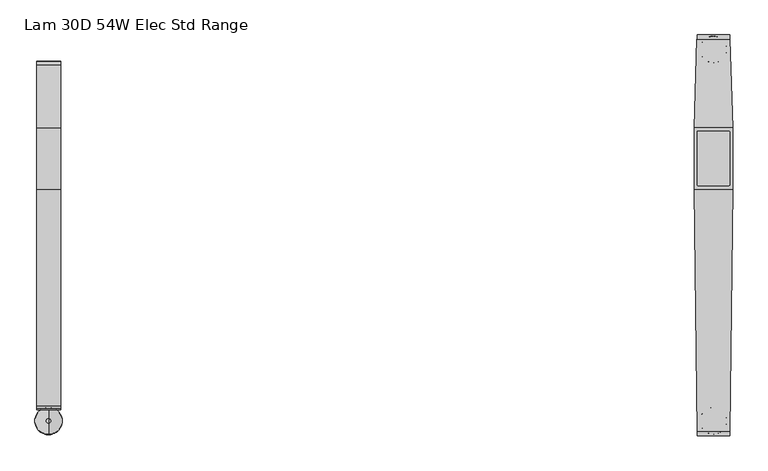
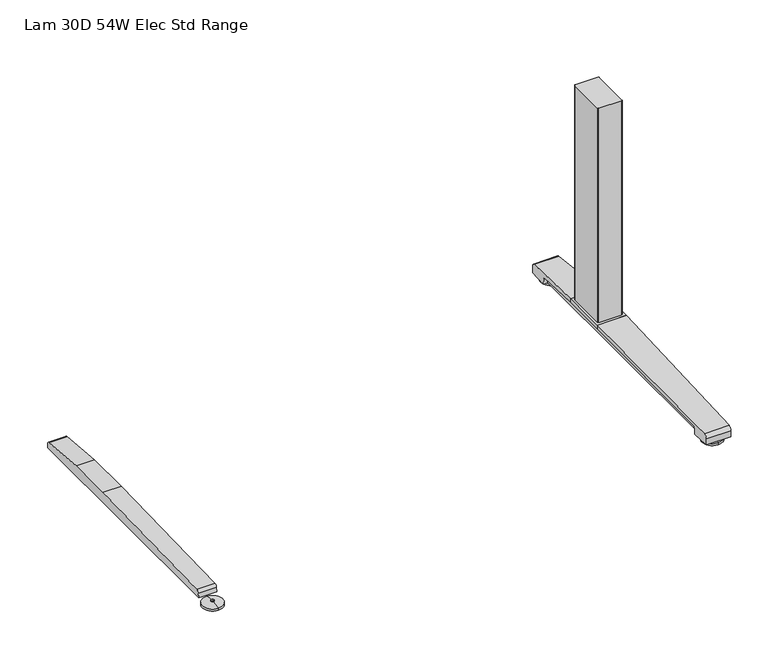
"""IFC4 building model written with IfcOpenShell, lengths in millimetres: furniture geometry, Lam 30D 54W Elec Std Range."""

import ifcopenshell
import ifcopenshell.guid

model = None  # the IFC model being written
_history = None  # IfcOwnerHistory: only IFC2X3 demands one
_inside = {}  # id of a spatial element -> (the spatial element, [elements in it])
_under = {}  # id of a project, library or spatial element -> (it, [spatial elements below it])
_declared = {}  # id of a project -> (the project, [libraries it declares])
_typed = {}  # id of a type object -> (the type object, [elements of that type])
_made_of = {}  # id of a material, layer set ... -> (it, [elements and type objects made of it])


def new_model(schema):
    """Start an empty IFC model of exactly this schema.

    Asked for "IFC4X3", IfcOpenShell would pick the latest addendum, in which some entities
    have other attributes; the version numbers below select the first issue.
    IFC2X3 requires an IfcOwnerHistory on every rooted entity: one is made here for all.
    """
    global model, _history
    if schema == "IFC4X3":
        model = ifcopenshell.file(schema_version=(4, 3, 0, 0))
    else:
        model = ifcopenshell.file(schema=schema)
    _inside.clear()
    _under.clear()
    _declared.clear()
    _typed.clear()
    _made_of.clear()
    _history = None
    if model.schema == "IFC2X3":
        org = make("IfcOrganization", Name="unknown")
        user = make(
            "IfcPersonAndOrganization",
            ThePerson=make("IfcPerson", FamilyName="unknown"),
            TheOrganization=org,
        )
        app = make(
            "IfcApplication",
            ApplicationDeveloper=org,
            Version="unknown",
            ApplicationFullName="unknown",
            ApplicationIdentifier="unknown",
        )
        _history = make(
            "IfcOwnerHistory",
            OwningUser=user,
            OwningApplication=app,
            ChangeAction="ADDED",
            CreationDate=0,
        )
    return model


def make(cls, **values):
    """One entity of the class cls with the attributes given. An attribute that is None is left unset."""
    return model.create_entity(
        cls, **{name: value for name, value in values.items() if value is not None}
    )


def rooted(cls, **values):
    """An entity with a GlobalId (a new one), such as an element, a storey or a relation."""
    return make(cls, GlobalId=ifcopenshell.guid.new(), OwnerHistory=_history, **values)


def si_unit(unit_type, name, prefix=None):
    """IfcSIUnit, for example si_unit("LENGTHUNIT", "METRE", prefix="MILLI")."""
    return make("IfcSIUnit", UnitType=unit_type, Prefix=prefix, Name=name)


def assignment(units):
    """IfcUnitAssignment: the units of a project."""
    return None if units is None else make("IfcUnitAssignment", Units=units)


def point(xyz):
    """IfcCartesianPoint."""
    return None if xyz is None else make("IfcCartesianPoint", Coordinates=xyz)


def direction(xyz):
    """IfcDirection."""
    return None if xyz is None else make("IfcDirection", DirectionRatios=xyz)


def frame(location, z_axis=None, x_axis=None):
    """IfcAxis2Placement3D, a coordinate frame: its origin and axes. An axis left out is left unset."""
    return make(
        "IfcAxis2Placement3D",
        Location=point(location),
        Axis=direction(z_axis),
        RefDirection=direction(x_axis),
    )


def frame_2d(location, x_axis=None):
    """IfcAxis2Placement2D, a coordinate frame in the plane: its origin and x axis."""
    return make(
        "IfcAxis2Placement2D", Location=point(location), RefDirection=direction(x_axis)
    )


def origin():
    """The frame at (0, 0, 0) with its axes left unset."""
    return frame((0.0, 0.0, 0.0))


def place(relative_to, where):
    """IfcLocalPlacement: puts the frame where relative to a parent placement (None: the world)."""
    return make(
        "IfcLocalPlacement", PlacementRelTo=relative_to, RelativePlacement=where
    )


def context(
    kind, dimensions, precision=None, world=None, true_north=None, identifier=None
):
    """IfcGeometricRepresentationContext, for example the 3D "Model" context."""
    return make(
        "IfcGeometricRepresentationContext",
        ContextIdentifier=identifier,
        ContextType=kind,
        CoordinateSpaceDimension=dimensions,
        Precision=precision,
        WorldCoordinateSystem=world,
        TrueNorth=true_north,
    )


def project(units=None, contexts=None):
    """IfcProject with its units and contexts."""
    return rooted(
        "IfcProject",
        Name="project",
        RepresentationContexts=contexts,
        UnitsInContext=assignment(units),
    )


def spatial(cls, under=None, at=None, **own):
    """A site, building, storey or space (cls), placed at a placement, below another one or the project."""
    s = rooted(cls, ObjectPlacement=at, **own)
    if under is not None:
        _under.setdefault(under.id(), (under, []))[1].append(s)
    return s


def polyline(points):
    """IfcPolyline through the points."""
    return make("IfcPolyline", Points=[point(p) for p in points])


def circle_curve(where, radius):
    """IfcCircle in the frame where."""
    return make("IfcCircle", Position=where, Radius=radius)


def ellipse_curve(where, semi_axis1, semi_axis2):
    """IfcEllipse in the frame where."""
    return make(
        "IfcEllipse", Position=where, SemiAxis1=semi_axis1, SemiAxis2=semi_axis2
    )


def trimmed(basis, trim1, trim2, sense, master):
    """IfcTrimmedCurve: the piece of a basis curve between two trims."""
    return make(
        "IfcTrimmedCurve",
        BasisCurve=basis,
        Trim1=trim1,
        Trim2=trim2,
        SenseAgreement=sense,
        MasterRepresentation=master,
    )


def segment(curve, same_sense, transition):
    """IfcCompositeCurveSegment."""
    return make(
        "IfcCompositeCurveSegment",
        Transition=transition,
        SameSense=same_sense,
        ParentCurve=curve,
    )


def composite_curve(segments, self_intersect=None):
    """IfcCompositeCurve: segments joined end to end."""
    return make("IfcCompositeCurve", Segments=segments, SelfIntersect=self_intersect)


def outline(outer, holes=None, kind="AREA"):
    """IfcArbitraryClosedProfileDef: a profile drawn as a closed curve; with holes, ...WithVoids."""
    if holes is None:
        return make("IfcArbitraryClosedProfileDef", ProfileType=kind, OuterCurve=outer)
    return make(
        "IfcArbitraryProfileDefWithVoids",
        ProfileType=kind,
        OuterCurve=outer,
        InnerCurves=holes,
    )


def extrude(swept, where, along, depth):
    """IfcExtrudedAreaSolid: the profile swept, set in the frame where, extruded along a direction by depth."""
    return make(
        "IfcExtrudedAreaSolid",
        SweptArea=swept,
        Position=where,
        ExtrudedDirection=direction(along),
        Depth=depth,
    )


def shape(context_of_items, identifier, shape_type, items):
    """IfcShapeRepresentation: the items that make up one representation, for example the "Body"."""
    return make(
        "IfcShapeRepresentation",
        ContextOfItems=context_of_items,
        RepresentationIdentifier=identifier,
        RepresentationType=shape_type,
        Items=items,
    )


def source(mapping_origin, context_of_items, identifier, shape_type, items):
    """IfcRepresentationMap: a shape defined once, which mapped items show again and again."""
    return make(
        "IfcRepresentationMap",
        MappingOrigin=mapping_origin,
        MappedRepresentation=shape(context_of_items, identifier, shape_type, items),
    )


def transform(
    local_origin,
    x_axis=None,
    y_axis=None,
    z_axis=None,
    scale=None,
    scale2=None,
    scale3=None,
    uniform=True,
):
    """IfcCartesianTransformationOperator3D, or its non-uniform kind. x_axis, y_axis, z_axis: its Axis1, 2, 3."""
    if uniform:
        return make(
            "IfcCartesianTransformationOperator3D",
            Axis1=direction(x_axis),
            Axis2=direction(y_axis),
            LocalOrigin=point(local_origin),
            Scale=scale,
            Axis3=direction(z_axis),
        )
    return make(
        "IfcCartesianTransformationOperator3DnonUniform",
        Axis1=direction(x_axis),
        Axis2=direction(y_axis),
        LocalOrigin=point(local_origin),
        Scale=scale,
        Axis3=direction(z_axis),
        Scale2=scale2,
        Scale3=scale3,
    )


def mapped(mapping_source, mapping_target):
    """IfcMappedItem: shows the shape of a source again, moved by a transform."""
    return make(
        "IfcMappedItem", MappingSource=mapping_source, MappingTarget=mapping_target
    )


def made_of(thing, what):
    """Note that an element or type object is made of a material, layer set ...; save() writes the relation."""
    if what is not None:
        _made_of.setdefault(what.id(), (what, []))[1].append(thing)
    return thing


def element(
    cls,
    number,
    at=None,
    inside=None,
    cuts=None,
    type_object=None,
    material=None,
    context=None,
    identifier="Body",
    shape_type=None,
    held_by="IfcProductDefinitionShape",
    body=None,
    shapes=None,
    **own,
):
    """One element of the class cls, such as IfcWall. Its Tag is "e" and its number.

    at: its placement. inside: the storey or other place that contains it. cuts: it is an
    opening in that element (IfcRelVoidsElement). A single representation is given by context,
    identifier, shape_type and body (its items); several are given by shapes. held_by: the class
    of the entity that holds the representations. save() writes the other relations.
    """
    e = rooted(cls, Tag="e%d" % number, ObjectPlacement=at, **own)
    if body is not None:
        shapes = [shape(context, identifier, shape_type, body)]
    if shapes is not None:
        e.Representation = make(held_by, Representations=shapes)
    if inside is not None:
        _inside.setdefault(inside.id(), (inside, []))[1].append(e)
    if cuts is not None:
        rooted(
            "IfcRelVoidsElement", RelatingBuildingElement=cuts, RelatedOpeningElement=e
        )
    if type_object is not None:
        _typed.setdefault(type_object.id(), (type_object, []))[1].append(e)
    return made_of(e, material)


def aggregate(whole, parts):
    """IfcRelAggregates: a whole, such as a stair, and the parts it consists of."""
    return rooted("IfcRelAggregates", RelatingObject=whole, RelatedObjects=parts)


def save(model, path):
    """Write the relations noted so far, then the file.

    IfcRelAggregates (storeys below a building ...), IfcRelContainedInSpatialStructure (elements
    in a storey), IfcRelDefinesByType, IfcRelAssociatesMaterial and IfcRelDeclares: one each for
    every whole, place, type object, material and project.
    """
    for whole, parts in _under.values():
        aggregate(whole, parts)
    for where, things in _inside.values():
        rooted(
            "IfcRelContainedInSpatialStructure",
            RelatedElements=things,
            RelatingStructure=where,
        )
    for kind, things in _typed.values():
        rooted("IfcRelDefinesByType", RelatedObjects=things, RelatingType=kind)
    for what, things in _made_of.values():
        rooted("IfcRelAssociatesMaterial", RelatedObjects=things, RelatingMaterial=what)
    for by, libraries in _declared.values():
        rooted("IfcRelDeclares", RelatingContext=by, RelatedDefinitions=libraries)
    model.write(path)


def plane_surface(at):
    """IfcPlane: the flat surface through the origin of the frame at, square to its z axis."""
    return make("IfcPlane", Position=at)


def cylinder_surface(at, radius):
    """IfcCylindricalSurface: all points at the distance radius from the z axis of the frame at."""
    return make("IfcCylindricalSurface", Position=at, Radius=radius)


def revolved_surface(curve, axis_point, axis_direction):
    """IfcSurfaceOfRevolution: the curve turned about the line through axis_point along axis_direction."""
    return make(
        "IfcSurfaceOfRevolution",
        SweptCurve=make("IfcArbitraryOpenProfileDef", ProfileType="CURVE", Curve=curve),
        AxisPosition=make("IfcAxis1Placement", Location=point(axis_point), Axis=direction(axis_direction)),
    )


def advanced_brep(points, edges, surfaces, faces):
    """IfcAdvancedBrep: a solid bounded by faces that lie on surfaces and meet in shared edges.

    An edge is (start, end): straight between two places in points (the first is 0);
    or (start, end, curve); or (start, end, curve, False) where it runs against its curve.
    A face is (place in surfaces, loops), or (place, loops, False) where it looks against
    its surface's normal. A loop lists edges by number (the first is 1), with a minus sign
    where the edge is run from its end to its start. The first loop is the outer one.
    """
    corners = [point(p) for p in points]
    vertices = [make("IfcVertexPoint", VertexGeometry=c) for c in corners]
    made = []
    for start, end, *more in edges:
        made.append(
            make(
                "IfcEdgeCurve",
                EdgeStart=vertices[start],
                EdgeEnd=vertices[end],
                EdgeGeometry=more[0] if more else make("IfcPolyline", Points=[corners[start], corners[end]]),
                SameSense=more[1] if len(more) > 1 else True,
            )
        )
    hull = []
    for where, loops, *sense in faces:
        bounds = []
        for j, loop in enumerate(loops):
            ring = [make("IfcOrientedEdge", EdgeElement=made[abs(k) - 1], Orientation=k > 0) for k in loop]
            bounds.append(
                make(
                    "IfcFaceOuterBound" if j == 0 else "IfcFaceBound",
                    Bound=make("IfcEdgeLoop", EdgeList=ring),
                    Orientation=True,
                )
            )
        hull.append(make("IfcAdvancedFace", Bounds=bounds, FaceSurface=surfaces[where], SameSense=sense[0] if sense else True))
    return make("IfcAdvancedBrep", Outer=make("IfcClosedShell", CfsFaces=hull))


def lam_30d_54w_elec_std_range_4f798c4a(model_context):
    return source(origin(), model_context, "Body", "SolidModel", [
        advanced_brep(
        [(-608.076, -364.1643617, 0.0), (-608.076, -313.9743384, 0.0), (-608.076, -339.06935, 0.0), (-608.076, -364.0796512, 5.0038001), (-608.076, -314.0590489, 5.0038001), (-608.076, -343.0698499, 8.4327997), (-608.076, -335.0688501, 8.4327997), (-608.076, -343.0698499, 10.0423733), (-608.076, -335.0688501, 10.0423733), (-608.076, -339.06935, 10.0423733)],
        [
            (0, 1, circle_curve(frame((-608.076, -339.06935, 0.0), z_axis=(0.0, 0.0, -1.0), x_axis=(0.0, 1.0, 0.0)), 25.0950117)),
            (1, 2),
            (2, 0),
            (1, 0, circle_curve(frame((-608.076, -339.06935, 0.0), z_axis=(0.0, 0.0, -1.0), x_axis=(0.0, 1.0, 0.0)), 25.0950117)),
            (3, 4, circle_curve(frame((-608.076, -339.06935, 5.0038001), z_axis=(0.0, 0.0, -1.0), x_axis=(0.0, 1.0, 0.0)), 25.0103012)),
            (4, 1),
            (0, 3),
            (4, 3, circle_curve(frame((-608.076, -339.06935, 5.0038001), z_axis=(0.0, 0.0, -1.0), x_axis=(0.0, 1.0, 0.0)), 25.0103012)),
            (5, 6, circle_curve(frame((-608.076, -339.06935, 8.4327997), z_axis=(0.0, 0.0, -1.0), x_axis=(0.0, 1.0, 0.0)), 4.0004999)),
            (6, 4, circle_curve(frame((-608.076, -335.0368668, -57.4502444), z_axis=(-1.0, 0.0, 0.0), x_axis=(0.0, 1.0, 0.0)), 65.8830518)),
            (3, 5, circle_curve(frame((-608.076, -343.1018333, -57.4502444), z_axis=(-1.0, 0.0, 0.0), x_axis=(0.0, -1.0, 0.0)), 65.8830518)),
            (6, 5, circle_curve(frame((-608.076, -339.06935, 8.4327997), z_axis=(0.0, 0.0, -1.0), x_axis=(0.0, 1.0, 0.0)), 4.0004999)),
            (7, 8, circle_curve(frame((-608.076, -339.06935, 10.0423733), z_axis=(0.0, 0.0, -1.0), x_axis=(0.0, 1.0, 0.0)), 4.0004999)),
            (8, 6),
            (5, 7),
            (8, 7, circle_curve(frame((-608.076, -339.06935, 10.0423733), z_axis=(0.0, 0.0, -1.0), x_axis=(0.0, 1.0, 0.0)), 4.0004999)),
            (9, 8),
            (7, 9),
        ],
        [
            plane_surface(frame((-608.076, -339.06935, 0.0), z_axis=(0.0, 0.0, -1.0), x_axis=(0.0, 1.0, 0.0))),
            revolved_surface(polyline([(-608.076, -313.9743384, 0.0), (-608.076, -314.0590489, 5.0038001)]), (-608.076, -339.06935, 0.0), (0.0, 0.0, 1.0)),
            revolved_surface(trimmed(ellipse_curve(frame((-608.076, -335.0368668, -57.4502444), z_axis=(1.0, 0.0, 0.0), x_axis=(0.0, 1.0, 0.0)), 65.8830518, 65.8830518), [point((-608.076, -314.0590489, 5.0038001))], [point((-608.076, -335.0688501, 8.4327997))], True, "CARTESIAN"), (-608.076, -339.06935, 0.0), (0.0, 0.0, 1.0)),
            cylinder_surface(frame((-608.076, -339.06935, 0.0), z_axis=(0.0, 0.0, 1.0), x_axis=(0.0, 1.0, 0.0)), 4.0004999),
            plane_surface(frame((-608.076, -339.06935, 10.0423733), z_axis=(0.0, 0.0, 1.0), x_axis=(0.0, 1.0, 0.0))),
        ],
        [
            (0, [[1, 2, 3]]),
            (0, [[4, -3, -2]]),
            (1, [[5, 6, -1, 7]]),
            (1, [[8, -7, -4, -6]]),
            (2, [[9, 10, -5, 11]]),
            (2, [[12, -11, -8, -10]]),
            (3, [[13, 14, -9, 15]]),
            (3, [[16, -15, -12, -14]]),
            (4, [[17, -13, 18]]),
            (4, [[-18, -16, -17]]),
        ],
    ),
        extrude(outline(composite_curve([segment(polyline([(317.3152602, 22.833301), (318.3038309, 11.5339019), (-318.3038309, 11.5339019), (-317.3152602, 22.833301)]), True, "CONTINUOUS"), segment(trimmed(circle_curve(frame_2d((-310.4929906, 22.2364289)), 6.8483297), [point((-317.3152602, 22.833301))], [point((-311.3603185, 29.0296138))], False, "CARTESIAN"), True, "CONTINUOUS"), segment(polyline([(-311.3603185, 29.0296138), (84.6231873, 38.9541198), (196.8596127, 38.9541198), (311.3603185, 29.0296138)]), True, "CONTINUOUS"), segment(trimmed(circle_curve(frame_2d((310.4929906, 22.2364289)), 6.8483297), [point((311.3603185, 29.0296138))], [point((317.3152602, 22.833301))], False, "CARTESIAN"), True, "CONTINUOUS")], self_intersect=False)), frame((-630.0724, 0.0, 0.0), z_axis=(1.0, 0.0, 0.0), x_axis=(0.0, 1.0, 0.0)), (0.0, 0.0, 1.0), 43.9928),
        extrude(outline(composite_curve([segment(trimmed(circle_curve(frame_2d((635.6521079, 188.3835079)), 2.3323921), [point((635.6521079, 190.7159))], [point((637.9845, 188.3835079))], False, "CARTESIAN"), True, "CONTINUOUS"), segment(polyline([(637.9845, 188.3835079), (637.9845, 93.0992921)]), True, "CONTINUOUS"), segment(trimmed(circle_curve(frame_2d((635.6521079, 93.0992921)), 2.3323921), [point((637.9845, 93.0992921))], [point((635.6521079, 90.7669))], False, "CARTESIAN"), True, "CONTINUOUS"), segment(polyline([(635.6521079, 90.7669), (580.4998921, 90.7669)]), True, "CONTINUOUS"), segment(trimmed(circle_curve(frame_2d((580.4998921, 93.0992921)), 2.3323921), [point((580.4998921, 90.7669))], [point((578.1675, 93.0992921))], False, "CARTESIAN"), True, "CONTINUOUS"), segment(polyline([(578.1675, 93.0992921), (578.1675, 188.3835079)]), True, "CONTINUOUS"), segment(trimmed(circle_curve(frame_2d((580.4998921, 188.3835079)), 2.3323921), [point((578.1675, 188.3835079))], [point((580.4998921, 190.7159))], False, "CARTESIAN"), True, "CONTINUOUS"), segment(polyline([(580.4998921, 190.7159), (635.6521079, 190.7159)]), True, "CONTINUOUS")], self_intersect=False)), frame((0.0, 0.0, 48.10013), z_axis=(0.0, 0.0, 1.0), x_axis=(1.0, 0.0, 0.0)), (0.0, 0.0, 1.0), 550.9989485),
        advanced_brep(
        [(608.076, 314.8489737, 0.0), (608.076, 365.038997, 0.0), (608.076, 339.9439854, 0.0), (608.076, 314.9336842, 5.0038001), (608.076, 364.9542866, 5.0038001), (608.076, 335.9434855, 8.4327997), (608.076, 343.9444853, 8.4327997), (608.076, 335.9434855, 10.0423733), (608.076, 343.9444853, 10.0423733), (608.076, 339.9439854, 10.0423733)],
        [
            (0, 1, circle_curve(frame((608.076, 339.9439854, 0.0), z_axis=(0.0, 0.0, -1.0), x_axis=(0.0, 1.0, 0.0)), 25.0950117)),
            (1, 2),
            (2, 0),
            (1, 0, circle_curve(frame((608.076, 339.9439854, 0.0), z_axis=(0.0, 0.0, -1.0), x_axis=(0.0, 1.0, 0.0)), 25.0950117)),
            (3, 4, circle_curve(frame((608.076, 339.9439854, 5.0038001), z_axis=(0.0, 0.0, -1.0), x_axis=(0.0, 1.0, 0.0)), 25.0103012)),
            (4, 1),
            (0, 3),
            (4, 3, circle_curve(frame((608.076, 339.9439854, 5.0038001), z_axis=(0.0, 0.0, -1.0), x_axis=(0.0, 1.0, 0.0)), 25.0103012)),
            (5, 6, circle_curve(frame((608.076, 339.9439854, 8.4327997), z_axis=(0.0, 0.0, -1.0), x_axis=(0.0, 1.0, 0.0)), 4.0004999)),
            (6, 4, circle_curve(frame((608.076, 343.9764687, -57.4502444), z_axis=(-1.0, 0.0, 0.0), x_axis=(0.0, 1.0, 0.0)), 65.8830518)),
            (3, 5, circle_curve(frame((608.076, 335.9115021, -57.4502444), z_axis=(-1.0, 0.0, 0.0), x_axis=(0.0, -1.0, 0.0)), 65.8830518)),
            (6, 5, circle_curve(frame((608.076, 339.9439854, 8.4327997), z_axis=(0.0, 0.0, -1.0), x_axis=(0.0, 1.0, 0.0)), 4.0004999)),
            (7, 8, circle_curve(frame((608.076, 339.9439854, 10.0423733), z_axis=(0.0, 0.0, -1.0), x_axis=(0.0, 1.0, 0.0)), 4.0004999)),
            (8, 6),
            (5, 7),
            (8, 7, circle_curve(frame((608.076, 339.9439854, 10.0423733), z_axis=(0.0, 0.0, -1.0), x_axis=(0.0, 1.0, 0.0)), 4.0004999)),
            (9, 8),
            (7, 9),
        ],
        [
            plane_surface(frame((608.076, 339.9439854, 0.0), z_axis=(0.0, 0.0, -1.0), x_axis=(0.0, 1.0, 0.0))),
            revolved_surface(polyline([(608.076, 365.038997, 0.0), (608.076, 364.9542866, 5.0038001)]), (608.076, 339.9439854, 0.0), (0.0, 0.0, 1.0)),
            revolved_surface(trimmed(ellipse_curve(frame((608.076, 343.9764687, -57.4502444), z_axis=(1.0, 0.0, 0.0), x_axis=(0.0, 1.0, 0.0)), 65.8830518, 65.8830518), [point((608.076, 364.9542866, 5.0038001))], [point((608.076, 343.9444853, 8.4327997))], True, "CARTESIAN"), (608.076, 339.9439854, 0.0), (0.0, 0.0, 1.0)),
            cylinder_surface(frame((608.076, 339.9439854, 0.0), z_axis=(0.0, 0.0, 1.0), x_axis=(0.0, 1.0, 0.0)), 4.0004999),
            plane_surface(frame((608.076, 339.9439854, 10.0423733), z_axis=(0.0, 0.0, 1.0), x_axis=(0.0, 1.0, 0.0))),
        ],
        [
            (0, [[1, 2, 3]]),
            (0, [[4, -3, -2]]),
            (1, [[5, 6, -1, 7]]),
            (1, [[8, -7, -4, -6]]),
            (2, [[9, 10, -5, 11]]),
            (2, [[12, -11, -8, -10]]),
            (3, [[13, 14, -9, 15]]),
            (3, [[16, -15, -12, -14]]),
            (4, [[17, -13, 18]]),
            (4, [[-18, -16, -17]]),
        ],
    ),
        advanced_brep(
        [(608.076, -364.1643617, 0.0), (608.076, -313.9743384, 0.0), (608.076, -339.06935, 0.0), (608.076, -364.0796512, 5.0038001), (608.076, -314.0590489, 5.0038001), (608.076, -343.0698499, 8.4327997), (608.076, -335.0688501, 8.4327997), (608.076, -343.0698499, 10.0423733), (608.076, -335.0688501, 10.0423733), (608.076, -339.06935, 10.0423733)],
        [
            (0, 1, circle_curve(frame((608.076, -339.06935, 0.0), z_axis=(0.0, 0.0, -1.0), x_axis=(0.0, 1.0, 0.0)), 25.0950117)),
            (1, 2),
            (2, 0),
            (1, 0, circle_curve(frame((608.076, -339.06935, 0.0), z_axis=(0.0, 0.0, -1.0), x_axis=(0.0, 1.0, 0.0)), 25.0950117)),
            (3, 4, circle_curve(frame((608.076, -339.06935, 5.0038001), z_axis=(0.0, 0.0, -1.0), x_axis=(0.0, 1.0, 0.0)), 25.0103012)),
            (4, 1),
            (0, 3),
            (4, 3, circle_curve(frame((608.076, -339.06935, 5.0038001), z_axis=(0.0, 0.0, -1.0), x_axis=(0.0, 1.0, 0.0)), 25.0103012)),
            (5, 6, circle_curve(frame((608.076, -339.06935, 8.4327997), z_axis=(0.0, 0.0, -1.0), x_axis=(0.0, 1.0, 0.0)), 4.0004999)),
            (6, 4, circle_curve(frame((608.076, -335.0368668, -57.4502444), z_axis=(-1.0, 0.0, 0.0), x_axis=(0.0, 1.0, 0.0)), 65.8830518)),
            (3, 5, circle_curve(frame((608.076, -343.1018333, -57.4502444), z_axis=(-1.0, 0.0, 0.0), x_axis=(0.0, -1.0, 0.0)), 65.8830518)),
            (6, 5, circle_curve(frame((608.076, -339.06935, 8.4327997), z_axis=(0.0, 0.0, -1.0), x_axis=(0.0, 1.0, 0.0)), 4.0004999)),
            (7, 8, circle_curve(frame((608.076, -339.06935, 10.0423733), z_axis=(0.0, 0.0, -1.0), x_axis=(0.0, 1.0, 0.0)), 4.0004999)),
            (8, 6),
            (5, 7),
            (8, 7, circle_curve(frame((608.076, -339.06935, 10.0423733), z_axis=(0.0, 0.0, -1.0), x_axis=(0.0, 1.0, 0.0)), 4.0004999)),
            (9, 8),
            (7, 9),
        ],
        [
            plane_surface(frame((608.076, -339.06935, 0.0), z_axis=(0.0, 0.0, -1.0), x_axis=(0.0, 1.0, 0.0))),
            revolved_surface(polyline([(608.076, -313.9743384, 0.0), (608.076, -314.0590489, 5.0038001)]), (608.076, -339.06935, 0.0), (0.0, 0.0, 1.0)),
            revolved_surface(trimmed(ellipse_curve(frame((608.076, -335.0368668, -57.4502444), z_axis=(1.0, 0.0, 0.0), x_axis=(0.0, 1.0, 0.0)), 65.8830518, 65.8830518), [point((608.076, -314.0590489, 5.0038001))], [point((608.076, -335.0688501, 8.4327997))], True, "CARTESIAN"), (608.076, -339.06935, 0.0), (0.0, 0.0, 1.0)),
            cylinder_surface(frame((608.076, -339.06935, 0.0), z_axis=(0.0, 0.0, 1.0), x_axis=(0.0, 1.0, 0.0)), 4.0004999),
            plane_surface(frame((608.076, -339.06935, 10.0423733), z_axis=(0.0, 0.0, 1.0), x_axis=(0.0, 1.0, 0.0))),
        ],
        [
            (0, [[1, 2, 3]]),
            (0, [[4, -3, -2]]),
            (1, [[5, 6, -1, 7]]),
            (1, [[8, -7, -4, -6]]),
            (2, [[9, 10, -5, 11]]),
            (2, [[12, -11, -8, -10]]),
            (3, [[13, 14, -9, 15]]),
            (3, [[16, -15, -12, -14]]),
            (4, [[17, -13, 18]]),
            (4, [[-18, -16, -17]]),
        ],
    ),
        extrude(outline(polyline([(643.2068382, 196.8596127), (643.2068382, 84.6231873), (572.9451618, 84.6231873), (572.9451618, 196.8596127), (643.2068382, 196.8596127)])), frame((0.0, 0.0, 38.9541198), z_axis=(0.0, 0.0, 1.0), x_axis=(1.0, 0.0, 0.0)), (0.0, 0.0, 1.0), 9.1460102),
        advanced_brep(
        [(637.7735496, 366.395, 26.8186), (638.013509, 358.907527, 35.7787117), (643.2068382, 196.8596127, 48.10013), (643.2068382, 196.8596127, 38.9541198), (639.5373071, 311.3603185, 29.0296138), (639.3464625, 317.3152602, 22.833301), (639.3106016, 318.4342309, 10.0434261), (637.8198676, 364.9497362, 10.041053), (578.138849, 358.907527, 35.7787117), (578.3788083, 366.395, 26.8186), (578.3324903, 364.9497362, 10.041053), (576.8417563, 318.4342309, 10.0434261), (576.8058954, 317.3152602, 22.833301), (576.6150508, 311.3603185, 29.0296138), (572.9455193, 196.8596013, 38.9541208), (572.9455197, 196.8596127, 48.10013)],
        [
            (0, 1, ellipse_curve(frame((638.0380766, 358.1409412, 27.5296273), z_axis=(0.9994868545941118, 0.03203166392132806, 0.0), x_axis=(0.032031663921324206, -0.9994868545941118, 0.0)), 8.2888806, 8.2846272)),
            (1, 2, ellipse_curve(frame((693.1365776, -1361.1024809, -21513.5555312), z_axis=(0.9994868545941118, 0.03203166392132806, 0.0), x_axis=(0.032031663921324206, -0.9994868545941118, 0.0)), 21628.9673574, 21617.8685521)),
            (2, 3),
            (3, 4),
            (4, 5, ellipse_curve(frame((639.5651033, 310.4929906, 22.2364289), z_axis=(-0.9994868545941118, -0.03203166392132806, 0.0), x_axis=(-0.032031663921324206, 0.9994868545941118, 0.0)), 6.8518456, 6.8483297)),
            (5, 6),
            (6, 7),
            (7, 0),
            (8, 9, ellipse_curve(frame((578.1142813, 358.1409412, 27.5296273), z_axis=(-0.9994868545941165, 0.03203166392118305, 0.0), x_axis=(0.032031663921181265, 0.9994868545941163, 0.0)), 8.2888806, 8.2846272)),
            (9, 10),
            (10, 11),
            (11, 12),
            (12, 13, ellipse_curve(frame((576.5872546, 310.4929906, 22.2364289), z_axis=(0.9994868545941165, -0.03203166392118305, 0.0), x_axis=(-0.032031663921181265, -0.9994868545941163, 0.0)), 6.8518456, 6.8483297)),
            (13, 14),
            (14, 15),
            (15, 8, ellipse_curve(frame((523.0157803, -1361.1024809, -21513.5555312), z_axis=(-0.9994868545941165, 0.03203166392118305, 0.0), x_axis=(0.032031663921181265, 0.9994868545941163, 0.0)), 21628.9673574, 21617.8685521)),
            (0, 9),
            (8, 1),
            (7, 10),
            (6, 11),
            (5, 12),
            (4, 13),
            (3, 14),
            (2, 15),
        ],
        [
            plane_surface(frame((637.7226732, 367.9825, 48.10013), z_axis=(0.9994868545941118, 0.03203166392132806, 0.0), x_axis=(0.0, 0.0, -1.0))),
            plane_surface(frame((572.9455197, 196.8596127, 48.10013), z_axis=(-0.9994868545941165, 0.03203166392118305, 0.0), x_axis=(0.0, 0.0, -1.0))),
            cylinder_surface(frame((572.9451618, 358.1409412, 27.5296273), z_axis=(1.0, 0.0, 0.0), x_axis=(0.0, 1.0, 0.0)), 8.2846272),
            plane_surface(frame((643.2068382, 364.9497362, 10.041053), z_axis=(0.0, 0.9963102368703288, -0.08582489095471861), x_axis=(-1.0, 0.0, 0.0))),
            plane_surface(frame((643.2068382, 318.4342309, 10.0434261), z_axis=(0.0, -5.101798419269663e-05, -0.9999999986985827), x_axis=(-1.0, 0.0, 0.0))),
            plane_surface(frame((643.2068382, 317.3152602, 22.833301), z_axis=(0.0, -0.9961946873837872, -0.0871558651400954), x_axis=(-1.0, 0.0, 0.0))),
            revolved_surface(polyline([(576.367778584501, 317.3413203, 22.2364289), (639.7845793155001, 317.3413203, 22.2364289)]), (572.9451618, 310.4929906, 22.2364289), (-1.0, 0.0, 0.0)),
            plane_surface(frame((643.2068382, 196.8596127, 38.9541198), z_axis=(0.0, -0.08635260649839663, -0.9962646372078722), x_axis=(-1.0, 0.0, 0.0))),
            plane_surface(frame((643.2068382, 196.8596127, 48.10013), z_axis=(0.0, -1.0, 0.0), x_axis=(-1.0, 0.0, 0.0))),
            cylinder_surface(frame((572.9451618, -1361.1024809, -21513.5555312), z_axis=(1.0, 0.0, 0.0), x_axis=(0.0, 1.0, 0.0)), 21617.8685521),
        ],
        [
            (0, [[1, 2, 3, 4, 5, 6, 7, 8]]),
            (1, [[9, 10, 11, 12, 13, 14, 15, 16]]),
            (2, [[17, -9, 18, -1]]),
            (3, [[-17, -8, 19, -10]]),
            (4, [[-19, -7, 20, -11]]),
            (5, [[-20, -6, 21, -12]]),
            (6, [[-21, -5, 22, -13]]),
            (7, [[23, -14, -22, -4]]),
            (8, [[-23, -3, 24, -15]]),
            (9, [[-24, -2, -18, -16]]),
        ],
    ),
        extrude(outline(composite_curve([segment(polyline([(317.3152602, 22.833301), (318.3038309, 11.5339019), (-318.3038309, 11.5339019), (-317.3152602, 22.833301)]), True, "CONTINUOUS"), segment(trimmed(circle_curve(frame_2d((-310.4929906, 22.2364289)), 6.8483297), [point((-317.3152602, 22.833301))], [point((-311.3603185, 29.0296138))], False, "CARTESIAN"), True, "CONTINUOUS"), segment(polyline([(-311.3603185, 29.0296138), (84.6231873, 38.9541198), (196.8596127, 38.9541198), (311.3603185, 29.0296138)]), True, "CONTINUOUS"), segment(trimmed(circle_curve(frame_2d((310.4929906, 22.2364289)), 6.8483297), [point((311.3603185, 29.0296138))], [point((317.3152602, 22.833301))], False, "CARTESIAN"), True, "CONTINUOUS")], self_intersect=False)), frame((586.0796, 0.0, 0.0), z_axis=(1.0, 0.0, 0.0), x_axis=(0.0, 1.0, 0.0)), (0.0, 0.0, 1.0), 43.9928),
        advanced_brep(
        [(637.8326335, -358.907527, 35.7787117), (578.3197244, -358.907527, 35.7787117), (578.4104491, -366.395, 26.8186), (637.7419088, -366.395, 26.8186), (578.3929371, -364.9497362, 10.041053), (637.7594208, -364.9497362, 10.041053), (577.8293147, -318.4342309, 10.0434261), (638.3230432, -318.4342309, 10.0434261), (577.8157562, -317.3152602, 22.833301), (638.3366017, -317.3152602, 22.833301), (577.743601, -311.3603185, 29.0296138), (638.4087569, -311.3603185, 29.0296138), (572.9451618, 84.6231873, 38.9541198), (643.2068382, 84.6231873, 38.9541198), (572.9455197, 84.6231873, 48.10013), (643.2068382, 84.6231873, 48.10013)],
        [
            (0, 1),
            (1, 2, ellipse_curve(frame((578.3104358, -358.1409412, 27.5296273), z_axis=(0.9999265987939379, 0.012115982188308264, 0.0), x_axis=(0.01211598218829372, -0.9999265987939379, 0.0)), 8.2852353, 8.2846272)),
            (2, 3),
            (3, 0, ellipse_curve(frame((637.8419221, -358.1409412, 27.5296273), z_axis=(-0.999926598793938, 0.01211598218829279, 0.0), x_axis=(0.012115982188294067, 0.9999265987939379, 0.0)), 8.2852353, 8.2846272)),
            (2, 4),
            (4, 5),
            (5, 3),
            (4, 6),
            (6, 7),
            (7, 5),
            (6, 8),
            (8, 9),
            (9, 7),
            (8, 10, ellipse_curve(frame((577.7330917, -310.4929906, 22.2364289), z_axis=(-0.9999265987939379, -0.012115982188308264, 0.0), x_axis=(-0.01211598218829372, 0.9999265987939379, 0.0)), 6.8488324, 6.8483297)),
            (10, 11),
            (11, 9, ellipse_curve(frame((638.4192662, -310.4929906, 22.2364289), z_axis=(0.999926598793938, -0.01211598218829279, 0.0), x_axis=(-0.012115982188294067, -0.9999265987939379, 0.0)), 6.8488324, 6.8483297)),
            (12, 13),
            (13, 11),
            (10, 12),
            (12, 14),
            (14, 15),
            (15, 13),
            (15, 0, ellipse_curve(frame((658.6737739, 1361.1024809, -53889.962004), z_axis=(0.999926598793938, -0.01211598218829279, 0.0), x_axis=(0.012115982188294067, 0.9999265987939379, 0.0)), 53957.1248938, 53953.1643758)),
            (1, 14, ellipse_curve(frame((557.478584, 1361.1024809, -53889.962004), z_axis=(-0.9999265987939379, -0.012115982188308264, 0.0), x_axis=(0.01211598218829372, -0.9999265987939379, 0.0)), 53957.1248938, 53953.1643758)),
        ],
        [
            cylinder_surface(frame((572.9451618, -358.1409412, 27.5296273), z_axis=(1.0, 0.0, 0.0), x_axis=(0.0, 1.0, 0.0)), 8.2846272),
            plane_surface(frame((643.2068382, -366.395, 26.8186), z_axis=(0.0, -0.9963102368705485, -0.0858248909521675), x_axis=(-1.0, 0.0, 0.0))),
            plane_surface(frame((643.2068382, -364.9497362, 10.041053), z_axis=(0.0, 5.101798391284063e-05, -0.9999999986985827), x_axis=(-1.0, 0.0, 0.0))),
            plane_surface(frame((643.2068382, -318.4342309, 10.0434261), z_axis=(0.0, 0.9961946873837968, -0.08715586513998663), x_axis=(-1.0, 0.0, 0.0))),
            revolved_surface(polyline([(577.6501113686311, -303.64466089999996, 22.2364289), (638.5022465313691, -303.64466089999996, 22.2364289)]), (572.9451618, -310.4929906, 22.2364289), (-1.0, 0.0, 0.0)),
            plane_surface(frame((643.2068382, -311.3603185, 29.0296138), z_axis=(0.0, 0.025055059879514837, -0.999686072712046), x_axis=(-1.0, 0.0, 0.0))),
            plane_surface(frame((643.2068382, 84.6231873, 38.9541198), z_axis=(0.0, 1.0, 0.0), x_axis=(-1.0, 0.0, 0.0))),
            plane_surface(frame((643.2068382, 84.6231873, 48.10013), z_axis=(0.999926598793938, -0.01211598218829279, 0.0), x_axis=(0.0, 0.0, -1.0))),
            plane_surface(frame((578.4296847, -367.9825, 48.10013), z_axis=(-0.9999265987939379, -0.012115982188308264, 0.0), x_axis=(0.0, 0.0, -1.0))),
            cylinder_surface(frame((572.9451618, 1361.1024809, -53889.962004), z_axis=(1.0, 0.0, 0.0), x_axis=(0.0, 1.0, 0.0)), 53953.1643758),
        ],
        [
            (0, [[1, 2, 3, 4]]),
            (1, [[-3, 5, 6, 7]]),
            (2, [[-6, 8, 9, 10]]),
            (3, [[-9, 11, 12, 13]]),
            (4, [[-12, 14, 15, 16]]),
            (5, [[17, 18, -15, 19]]),
            (6, [[-17, 20, 21, 22]]),
            (7, [[-4, -7, -10, -13, -16, -18, -22, 23]]),
            (8, [[-2, 24, -20, -19, -14, -11, -8, -5]]),
            (9, [[-21, -24, -1, -23]]),
        ],
    ),
    ])


if __name__ == "__main__":
    model = new_model("IFC4")
    model_context = context("Model", 3, world=origin())
    ifc_project = project(units=[si_unit("LENGTHUNIT", "METRE", prefix="MILLI")], contexts=[model_context])
    site = spatial("IfcSite", under=ifc_project)
    building = spatial("IfcBuilding", under=site)
    placement = place(None, origin())
    lam_30d_54w_elec_std_range_shape = lam_30d_54w_elec_std_range_4f798c4a(model_context)
    element("IfcFurniture", 1, ObjectType="Lam 30D 54W Elec Std Range", at=placement, inside=building, context=model_context, shape_type="MappedRepresentation", body=[
        mapped(lam_30d_54w_elec_std_range_shape, transform((0.0, 0.0, 0.0), x_axis=(1.0, 0.0, 0.0), y_axis=(0.0, 1.0, 0.0), z_axis=(0.0, 0.0, 1.0))),
    ])
    save(model, "model.ifc")
